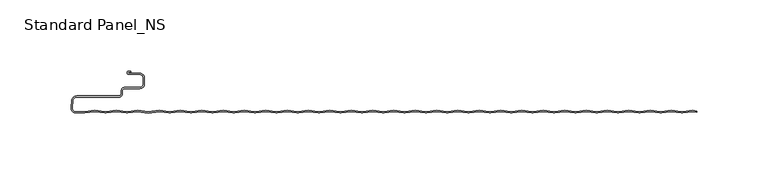
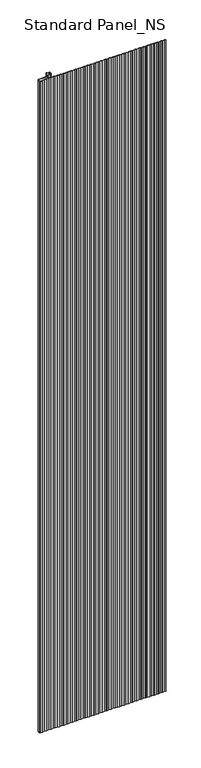
"""IFC4 building model written with IfcOpenShell, lengths in millimetres: proxy geometry, Standard Panel_NS."""

from ifc_helpers import new_model, si_unit, point, frame_2d, origin, origin_with_axes, place, context, project, spatial, polyline, circle_curve, trimmed, segment, composite_curve, outline, extrude, source, transform, mapped, element, save


def standard_panel_ns_2c4034bb(model_context):
    return source(origin(), model_context, "Body", "SweptSolid", [
        extrude(outline(composite_curve([segment(polyline([(200.9757266, -98.2311894), (203.9042607, -98.6216606), (203.9042607, -99.4287404), (200.9757266, -99.0382692), (194.0477998, -99.9619928)]), True, "CONTINUOUS"), segment(trimmed(circle_curve(frame_2d((193.4654854, -95.5946345)), 4.4060082), [point((194.0477998, -99.9619928))], [point((192.883171, -99.9619928))], False, "CARTESIAN"), True, "CONTINUOUS"), segment(polyline([(192.883171, -99.9619928), (185.9552442, -99.0382692), (179.0273174, -99.9619928)]), True, "CONTINUOUS"), segment(trimmed(circle_curve(frame_2d((178.445003, -95.5946345)), 4.4060082), [point((179.0273174, -99.9619928))], [point((177.8626885, -99.9619928))], False, "CARTESIAN"), True, "CONTINUOUS"), segment(polyline([(177.8626885, -99.9619928), (170.9347618, -99.0382692), (164.006835, -99.9619928)]), True, "CONTINUOUS"), segment(trimmed(circle_curve(frame_2d((163.4245205, -95.5946345)), 4.4060082), [point((164.006835, -99.9619928))], [point((162.8422061, -99.9619928))], False, "CARTESIAN"), True, "CONTINUOUS"), segment(polyline([(162.8422061, -99.9619928), (155.9142793, -99.0382692), (148.9863525, -99.9619928)]), True, "CONTINUOUS"), segment(trimmed(circle_curve(frame_2d((148.4040381, -95.5946345)), 4.4060082), [point((148.9863525, -99.9619928))], [point((147.8217236, -99.9619928))], False, "CARTESIAN"), True, "CONTINUOUS"), segment(polyline([(147.8217236, -99.9619928), (140.8937969, -99.0382692), (133.9658701, -99.9619928)]), True, "CONTINUOUS"), segment(trimmed(circle_curve(frame_2d((133.3835556, -95.5946345)), 4.4060082), [point((133.9658701, -99.9619928))], [point((132.8012412, -99.9619928))], False, "CARTESIAN"), True, "CONTINUOUS"), segment(polyline([(132.8012412, -99.9619928), (125.8733144, -99.0382692), (118.9453876, -99.9619928)]), True, "CONTINUOUS"), segment(trimmed(circle_curve(frame_2d((118.3630732, -95.5946345)), 4.4060082), [point((118.9453876, -99.9619928))], [point((117.7807588, -99.9619928))], False, "CARTESIAN"), True, "CONTINUOUS"), segment(polyline([(117.7807588, -99.9619928), (110.852832, -99.0382692), (103.9249052, -99.9619928)]), True, "CONTINUOUS"), segment(trimmed(circle_curve(frame_2d((103.3425907, -95.5946345)), 4.4060082), [point((103.9249052, -99.9619928))], [point((102.7602763, -99.9619928))], False, "CARTESIAN"), True, "CONTINUOUS"), segment(polyline([(102.7602763, -99.9619928), (95.8323495, -99.0382692), (88.9044227, -99.9619928)]), True, "CONTINUOUS"), segment(trimmed(circle_curve(frame_2d((88.3221083, -95.5946345)), 4.4060082), [point((88.9044227, -99.9619928))], [point((87.7397939, -99.9619928))], False, "CARTESIAN"), True, "CONTINUOUS"), segment(polyline([(87.7397939, -99.9619928), (80.8118671, -99.0382692), (73.8839403, -99.9619928)]), True, "CONTINUOUS"), segment(trimmed(circle_curve(frame_2d((73.3016259, -95.5946345)), 4.4060082), [point((73.8839403, -99.9619928))], [point((72.7193114, -99.9619928))], False, "CARTESIAN"), True, "CONTINUOUS"), segment(polyline([(72.7193114, -99.9619928), (65.7913846, -99.0382692), (58.8634578, -99.9619928)]), True, "CONTINUOUS"), segment(trimmed(circle_curve(frame_2d((58.2811434, -95.5946345)), 4.4060082), [point((58.8634578, -99.9619928))], [point((57.698829, -99.9619928))], False, "CARTESIAN"), True, "CONTINUOUS"), segment(polyline([(57.698829, -99.9619928), (50.7709022, -99.0382692), (43.8429754, -99.9619928)]), True, "CONTINUOUS"), segment(trimmed(circle_curve(frame_2d((43.260661, -95.5946345)), 4.4060082), [point((43.8429754, -99.9619928))], [point((42.6783465, -99.9619928))], False, "CARTESIAN"), True, "CONTINUOUS"), segment(polyline([(42.6783465, -99.9619928), (35.7504198, -99.0382692), (28.822493, -99.9619928)]), True, "CONTINUOUS"), segment(trimmed(circle_curve(frame_2d((28.2401785, -95.5946345)), 4.4060082), [point((28.822493, -99.9619928))], [point((27.6578641, -99.9619928))], False, "CARTESIAN"), True, "CONTINUOUS"), segment(polyline([(27.6578641, -99.9619928), (20.7299373, -99.0382692), (13.8020105, -99.9619928)]), True, "CONTINUOUS"), segment(trimmed(circle_curve(frame_2d((13.2196961, -95.5946345)), 4.4060082), [point((13.8020105, -99.9619928))], [point((12.6373816, -99.9619928))], False, "CARTESIAN"), True, "CONTINUOUS"), segment(polyline([(12.6373816, -99.9619928), (5.7094549, -99.0382692), (-1.2184719, -99.9619928)]), True, "CONTINUOUS"), segment(trimmed(circle_curve(frame_2d((-1.8007864, -95.5946345)), 4.4060082), [point((-1.2184719, -99.9619928))], [point((-2.3831008, -99.9619928))], False, "CARTESIAN"), True, "CONTINUOUS"), segment(polyline([(-2.3831008, -99.9619928), (-9.3110276, -99.0382692), (-16.2389544, -99.9619928)]), True, "CONTINUOUS"), segment(trimmed(circle_curve(frame_2d((-16.8212688, -95.5946345)), 4.4060082), [point((-16.2389544, -99.9619928))], [point((-17.4035832, -99.9619928))], False, "CARTESIAN"), True, "CONTINUOUS"), segment(polyline([(-17.4035832, -99.9619928), (-24.33151, -99.0382692), (-31.2594368, -99.9619928)]), True, "CONTINUOUS"), segment(trimmed(circle_curve(frame_2d((-31.8417513, -95.5946345)), 4.4060082), [point((-31.2594368, -99.9619928))], [point((-32.4240657, -99.9619928))], False, "CARTESIAN"), True, "CONTINUOUS"), segment(polyline([(-32.4240657, -99.9619928), (-39.3519925, -99.0382692), (-46.2799193, -99.9619928)]), True, "CONTINUOUS"), segment(trimmed(circle_curve(frame_2d((-46.8622337, -95.5946345)), 4.4060082), [point((-46.2799193, -99.9619928))], [point((-47.4445481, -99.9619928))], False, "CARTESIAN"), True, "CONTINUOUS"), segment(polyline([(-47.4445481, -99.9619928), (-54.3724749, -99.0382692), (-61.3004017, -99.9619928)]), True, "CONTINUOUS"), segment(trimmed(circle_curve(frame_2d((-61.8827161, -95.5946345)), 4.4060082), [point((-61.3004017, -99.9619928))], [point((-62.4650306, -99.9619928))], False, "CARTESIAN"), True, "CONTINUOUS"), segment(polyline([(-62.4650306, -99.9619928), (-69.3929573, -99.0382692), (-76.3208842, -99.9619928)]), True, "CONTINUOUS"), segment(trimmed(circle_curve(frame_2d((-76.9031986, -95.5946345)), 4.4060082), [point((-76.3208842, -99.9619928))], [point((-77.485513, -99.9619928))], False, "CARTESIAN"), True, "CONTINUOUS"), segment(polyline([(-77.485513, -99.9619928), (-84.4134398, -99.0382692), (-91.3413666, -99.9619928)]), True, "CONTINUOUS"), segment(trimmed(circle_curve(frame_2d((-91.923681, -95.5946345)), 4.4060082), [point((-91.3413666, -99.9619928))], [point((-92.5059955, -99.9619928))], False, "CARTESIAN"), True, "CONTINUOUS"), segment(polyline([(-92.5059955, -99.9619928), (-99.4339222, -99.0382692), (-106.361849, -99.9619928)]), True, "CONTINUOUS"), segment(trimmed(circle_curve(frame_2d((-106.9441635, -95.5946345)), 4.4060082), [point((-106.361849, -99.9619928))], [point((-107.5264779, -99.9619928))], False, "CARTESIAN"), True, "CONTINUOUS"), segment(polyline([(-107.5264779, -99.9619928), (-114.4544047, -99.0382692), (-121.3823315, -99.9619928)]), True, "CONTINUOUS"), segment(trimmed(circle_curve(frame_2d((-121.9646459, -95.5946345)), 4.4060082), [point((-121.3823315, -99.9619928))], [point((-122.5469604, -99.9619928))], False, "CARTESIAN"), True, "CONTINUOUS"), segment(polyline([(-122.5469604, -99.9619928), (-129.4748871, -99.0382692), (-136.4028139, -99.9619928)]), True, "CONTINUOUS"), segment(trimmed(circle_curve(frame_2d((-136.9851284, -95.5946345)), 4.4060082), [point((-136.4028139, -99.9619928))], [point((-137.5674428, -99.9619928))], False, "CARTESIAN"), True, "CONTINUOUS"), segment(polyline([(-137.5674428, -99.9619928), (-144.4953696, -99.0382692), (-151.4232964, -99.9619928)]), True, "CONTINUOUS"), segment(trimmed(circle_curve(frame_2d((-152.0056108, -95.5946345)), 4.4060082), [point((-151.4232964, -99.9619928))], [point((-152.5879252, -99.9619928))], False, "CARTESIAN"), True, "CONTINUOUS"), segment(polyline([(-152.5879252, -99.9619928), (-159.515852, -99.0382692), (-166.4437788, -99.9619928)]), True, "CONTINUOUS"), segment(trimmed(circle_curve(frame_2d((-167.0260933, -95.5946345)), 4.4060082), [point((-166.4437788, -99.9619928))], [point((-167.6084077, -99.9619928))], False, "CARTESIAN"), True, "CONTINUOUS"), segment(polyline([(-167.6084077, -99.9619928), (-174.5363345, -99.0382692), (-182.0465757, -100.0396347), (-189.5568169, -99.0382692), (-196.4847437, -99.9619928)]), True, "CONTINUOUS"), segment(trimmed(circle_curve(frame_2d((-197.0670581, -95.5946345)), 4.4060082), [point((-196.4847437, -99.9619928))], [point((-197.6493726, -99.9619928))], False, "CARTESIAN"), True, "CONTINUOUS"), segment(polyline([(-197.6493726, -99.9619928), (-204.5772994, -99.0382692), (-211.5052261, -99.9619928)]), True, "CONTINUOUS"), segment(trimmed(circle_curve(frame_2d((-212.0875406, -95.5946345)), 4.4060082), [point((-211.5052261, -99.9619928))], [point((-212.669855, -99.9619928))], False, "CARTESIAN"), True, "CONTINUOUS"), segment(polyline([(-212.669855, -99.9619928), (-219.5977818, -99.0382692), (-226.8154689, -100.0006275), (-232.8591806, -100.0006275)]), True, "CONTINUOUS"), segment(trimmed(circle_curve(frame_2d((-232.8591806, -96.4402183)), 3.5604092), [point((-232.8591806, -100.0006275))], [point((-236.4060388, -96.1298796))], False, "CARTESIAN"), True, "CONTINUOUS"), segment(polyline([(-236.4060388, -96.1298796), (-235.9907187, -91.3831898)]), True, "CONTINUOUS"), segment(trimmed(circle_curve(frame_2d((-232.3045986, -91.7057134)), 3.7002032), [point((-235.9907187, -91.3831898))], [point((-232.3045986, -88.0055103))], False, "CARTESIAN"), True, "CONTINUOUS"), segment(polyline([(-232.3045986, -88.0055103), (-202.67533, -88.0055103)]), True, "CONTINUOUS"), segment(trimmed(circle_curve(frame_2d((-202.67533, -86.4057064)), 1.5998039), [point((-202.67533, -88.0055103))], [point((-201.0755261, -86.4057064))], True, "CARTESIAN"), True, "CONTINUOUS"), segment(polyline([(-201.0755261, -86.4057064), (-201.0755261, -84.4057064)]), True, "CONTINUOUS"), segment(trimmed(circle_curve(frame_2d((-198.67533, -84.4057064)), 2.4001961), [point((-201.0755261, -84.4057064))], [point((-198.67533, -82.0055103))], False, "CARTESIAN"), True, "CONTINUOUS"), segment(polyline([(-198.67533, -82.0055103), (-188.0058392, -82.0055103)]), True, "CONTINUOUS"), segment(trimmed(circle_curve(frame_2d((-188.0058392, -79.6557064)), 2.3498039), [point((-188.0058392, -82.0055103))], [point((-185.6560353, -79.6557064))], True, "CARTESIAN"), True, "CONTINUOUS"), segment(polyline([(-185.6560353, -79.6557064), (-185.6560353, -75.2557048)]), True, "CONTINUOUS"), segment(trimmed(circle_curve(frame_2d((-188.0058392, -75.2557048)), 2.3498039), [point((-185.6560353, -75.2557048))], [point((-188.0058392, -72.9059009))], True, "CARTESIAN"), True, "CONTINUOUS"), segment(polyline([(-188.0058392, -72.9059009), (-195.7650669, -72.9059009)]), True, "CONTINUOUS"), segment(trimmed(circle_curve(frame_2d((-195.7650669, -71.7057056)), 1.2001953), [point((-195.7650669, -72.9059009))], [point((-195.7650669, -70.5055103))], False, "CARTESIAN"), True, "CONTINUOUS"), segment(polyline([(-195.7650669, -70.5055103), (-194.3950677, -70.5055103), (-194.3950677, -71.3055103), (-195.7650669, -71.3055103)]), True, "CONTINUOUS"), segment(trimmed(circle_curve(frame_2d((-195.7650669, -71.7057056)), 0.4001953), [point((-195.7650669, -71.3055103))], [point((-195.7650669, -72.1059009))], True, "CARTESIAN"), True, "CONTINUOUS"), segment(polyline([(-195.7650669, -72.1059009), (-188.0058392, -72.1059009)]), True, "CONTINUOUS"), segment(trimmed(circle_curve(frame_2d((-188.0058392, -75.2557048)), 3.1498039), [point((-188.0058392, -72.1059009))], [point((-184.8560353, -75.2557048))], False, "CARTESIAN"), True, "CONTINUOUS"), segment(polyline([(-184.8560353, -75.2557048), (-184.8560353, -79.6557064)]), True, "CONTINUOUS"), segment(trimmed(circle_curve(frame_2d((-188.0058392, -79.6557064)), 3.1498039), [point((-184.8560353, -79.6557064))], [point((-188.0058392, -82.8055103))], False, "CARTESIAN"), True, "CONTINUOUS"), segment(polyline([(-188.0058392, -82.8055103), (-198.67533, -82.8055103)]), True, "CONTINUOUS"), segment(trimmed(circle_curve(frame_2d((-198.67533, -84.4057064)), 1.6001961), [point((-198.67533, -82.8055103))], [point((-200.2755261, -84.4057064))], True, "CARTESIAN"), True, "CONTINUOUS"), segment(polyline([(-200.2755261, -84.4057064), (-200.2755261, -86.4057064)]), True, "CONTINUOUS"), segment(trimmed(circle_curve(frame_2d((-202.67533, -86.4057064)), 2.3998039), [point((-200.2755261, -86.4057064))], [point((-202.67533, -88.8055103))], False, "CARTESIAN"), True, "CONTINUOUS"), segment(polyline([(-202.67533, -88.8055103), (-232.3045986, -88.8055103)]), True, "CONTINUOUS"), segment(trimmed(circle_curve(frame_2d((-232.3045986, -91.7057134)), 2.9002032), [point((-232.3045986, -88.8055103))], [point((-235.1937635, -91.4529208))], True, "CARTESIAN"), True, "CONTINUOUS"), segment(polyline([(-235.1937635, -91.4529208), (-235.6090836, -96.1996106)]), True, "CONTINUOUS"), segment(trimmed(circle_curve(frame_2d((-232.8591806, -96.4402183)), 2.7604092), [point((-235.6090836, -96.1996106))], [point((-232.8591806, -99.2006275))], True, "CARTESIAN"), True, "CONTINUOUS"), segment(polyline([(-232.8591806, -99.2006275), (-226.8685673, -99.2006275), (-219.5977818, -98.2311894), (-212.564124, -99.1690104)]), True, "CONTINUOUS"), segment(trimmed(circle_curve(frame_2d((-212.0875406, -95.5946345)), 3.6060082), [point((-212.564124, -99.1690104))], [point((-211.6109571, -99.1690104))], True, "CARTESIAN"), True, "CONTINUOUS"), segment(polyline([(-211.6109571, -99.1690104), (-204.5772994, -98.2311894), (-197.5436416, -99.1690104)]), True, "CONTINUOUS"), segment(trimmed(circle_curve(frame_2d((-197.0670581, -95.5946345)), 3.6060082), [point((-197.5436416, -99.1690104))], [point((-196.5904747, -99.1690104))], True, "CARTESIAN"), True, "CONTINUOUS"), segment(polyline([(-196.5904747, -99.1690104), (-189.5568169, -98.2311894), (-182.0465757, -99.2325549), (-174.5363345, -98.2311894), (-167.5026767, -99.1690104)]), True, "CONTINUOUS"), segment(trimmed(circle_curve(frame_2d((-167.0260933, -95.5946345)), 3.6060082), [point((-167.5026767, -99.1690104))], [point((-166.5495098, -99.1690104))], True, "CARTESIAN"), True, "CONTINUOUS"), segment(polyline([(-166.5495098, -99.1690104), (-159.515852, -98.2311894), (-152.4821943, -99.1690104)]), True, "CONTINUOUS"), segment(trimmed(circle_curve(frame_2d((-152.0056108, -95.5946345)), 3.6060082), [point((-152.4821943, -99.1690104))], [point((-151.5290274, -99.1690104))], True, "CARTESIAN"), True, "CONTINUOUS"), segment(polyline([(-151.5290274, -99.1690104), (-144.4953696, -98.2311894), (-137.4617118, -99.1690104)]), True, "CONTINUOUS"), segment(trimmed(circle_curve(frame_2d((-136.9851284, -95.5946345)), 3.6060082), [point((-137.4617118, -99.1690104))], [point((-136.5085449, -99.1690104))], True, "CARTESIAN"), True, "CONTINUOUS"), segment(polyline([(-136.5085449, -99.1690104), (-129.4748871, -98.2311894), (-122.4412294, -99.1690104)]), True, "CONTINUOUS"), segment(trimmed(circle_curve(frame_2d((-121.9646459, -95.5946345)), 3.6060082), [point((-122.4412294, -99.1690104))], [point((-121.4880625, -99.1690104))], True, "CARTESIAN"), True, "CONTINUOUS"), segment(polyline([(-121.4880625, -99.1690104), (-114.4544047, -98.2311894), (-107.4207469, -99.1690104)]), True, "CONTINUOUS"), segment(trimmed(circle_curve(frame_2d((-106.9441635, -95.5946345)), 3.6060082), [point((-107.4207469, -99.1690104))], [point((-106.46758, -99.1690104))], True, "CARTESIAN"), True, "CONTINUOUS"), segment(polyline([(-106.46758, -99.1690104), (-99.4339222, -98.2311894), (-92.4002645, -99.1690104)]), True, "CONTINUOUS"), segment(trimmed(circle_curve(frame_2d((-91.923681, -95.5946345)), 3.6060082), [point((-92.4002645, -99.1690104))], [point((-91.4470976, -99.1690104))], True, "CARTESIAN"), True, "CONTINUOUS"), segment(polyline([(-91.4470976, -99.1690104), (-84.4134398, -98.2311894), (-77.379782, -99.1690104)]), True, "CONTINUOUS"), segment(trimmed(circle_curve(frame_2d((-76.9031986, -95.5946345)), 3.6060082), [point((-77.379782, -99.1690104))], [point((-76.4266151, -99.1690104))], True, "CARTESIAN"), True, "CONTINUOUS"), segment(polyline([(-76.4266151, -99.1690104), (-69.3929573, -98.2311894), (-62.3592996, -99.1690104)]), True, "CONTINUOUS"), segment(trimmed(circle_curve(frame_2d((-61.8827161, -95.5946345)), 3.6060082), [point((-62.3592996, -99.1690104))], [point((-61.4061327, -99.1690104))], True, "CARTESIAN"), True, "CONTINUOUS"), segment(polyline([(-61.4061327, -99.1690104), (-54.3724749, -98.2311894), (-47.3388172, -99.1690104)]), True, "CONTINUOUS"), segment(trimmed(circle_curve(frame_2d((-46.8622337, -95.5946345)), 3.6060082), [point((-47.3388172, -99.1690104))], [point((-46.3856502, -99.1690104))], True, "CARTESIAN"), True, "CONTINUOUS"), segment(polyline([(-46.3856502, -99.1690104), (-39.3519925, -98.2311894), (-32.3183347, -99.1690104)]), True, "CONTINUOUS"), segment(trimmed(circle_curve(frame_2d((-31.8417513, -95.5946345)), 3.6060082), [point((-32.3183347, -99.1690104))], [point((-31.3651678, -99.1690104))], True, "CARTESIAN"), True, "CONTINUOUS"), segment(polyline([(-31.3651678, -99.1690104), (-24.33151, -98.2311894), (-17.2978523, -99.1690104)]), True, "CONTINUOUS"), segment(trimmed(circle_curve(frame_2d((-16.8212688, -95.5946345)), 3.6060082), [point((-17.2978523, -99.1690104))], [point((-16.3446854, -99.1690104))], True, "CARTESIAN"), True, "CONTINUOUS"), segment(polyline([(-16.3446854, -99.1690104), (-9.3110276, -98.2311894), (-2.2773698, -99.1690104)]), True, "CONTINUOUS"), segment(trimmed(circle_curve(frame_2d((-1.8007864, -95.5946345)), 3.6060082), [point((-2.2773698, -99.1690104))], [point((-1.3242029, -99.1690104))], True, "CARTESIAN"), True, "CONTINUOUS"), segment(polyline([(-1.3242029, -99.1690104), (5.7094549, -98.2311894), (12.7431126, -99.1690104)]), True, "CONTINUOUS"), segment(trimmed(circle_curve(frame_2d((13.2196961, -95.5946345)), 3.6060082), [point((12.7431126, -99.1690104))], [point((13.6962795, -99.1690104))], True, "CARTESIAN"), True, "CONTINUOUS"), segment(polyline([(13.6962795, -99.1690104), (20.7299373, -98.2311894), (27.7635951, -99.1690104)]), True, "CONTINUOUS"), segment(trimmed(circle_curve(frame_2d((28.2401785, -95.5946345)), 3.6060082), [point((27.7635951, -99.1690104))], [point((28.716762, -99.1690104))], True, "CARTESIAN"), True, "CONTINUOUS"), segment(polyline([(28.716762, -99.1690104), (35.7504198, -98.2311894), (42.7840775, -99.1690104)]), True, "CONTINUOUS"), segment(trimmed(circle_curve(frame_2d((43.260661, -95.5946345)), 3.6060082), [point((42.7840775, -99.1690104))], [point((43.7372444, -99.1690104))], True, "CARTESIAN"), True, "CONTINUOUS"), segment(polyline([(43.7372444, -99.1690104), (50.7709022, -98.2311894), (57.80456, -99.1690104)]), True, "CONTINUOUS"), segment(trimmed(circle_curve(frame_2d((58.2811434, -95.5946345)), 3.6060082), [point((57.80456, -99.1690104))], [point((58.7577269, -99.1690104))], True, "CARTESIAN"), True, "CONTINUOUS"), segment(polyline([(58.7577269, -99.1690104), (65.7913846, -98.2311894), (72.8250424, -99.1690104)]), True, "CONTINUOUS"), segment(trimmed(circle_curve(frame_2d((73.3016259, -95.5946345)), 3.6060082), [point((72.8250424, -99.1690104))], [point((73.7782093, -99.1690104))], True, "CARTESIAN"), True, "CONTINUOUS"), segment(polyline([(73.7782093, -99.1690104), (80.8118671, -98.2311894), (87.8455248, -99.1690104)]), True, "CONTINUOUS"), segment(trimmed(circle_curve(frame_2d((88.3221083, -95.5946345)), 3.6060082), [point((87.8455248, -99.1690104))], [point((88.7986918, -99.1690104))], True, "CARTESIAN"), True, "CONTINUOUS"), segment(polyline([(88.7986918, -99.1690104), (95.8323495, -98.2311894), (102.8660073, -99.1690104)]), True, "CONTINUOUS"), segment(trimmed(circle_curve(frame_2d((103.3425907, -95.5946345)), 3.6060082), [point((102.8660073, -99.1690104))], [point((103.8191742, -99.1690104))], True, "CARTESIAN"), True, "CONTINUOUS"), segment(polyline([(103.8191742, -99.1690104), (110.852832, -98.2311894), (117.8864897, -99.1690104)]), True, "CONTINUOUS"), segment(trimmed(circle_curve(frame_2d((118.3630732, -95.5946345)), 3.6060082), [point((117.8864897, -99.1690104))], [point((118.8396566, -99.1690104))], True, "CARTESIAN"), True, "CONTINUOUS"), segment(polyline([(118.8396566, -99.1690104), (125.8733144, -98.2311894), (132.9069722, -99.1690104)]), True, "CONTINUOUS"), segment(trimmed(circle_curve(frame_2d((133.3835556, -95.5946345)), 3.6060082), [point((132.9069722, -99.1690104))], [point((133.8601391, -99.1690104))], True, "CARTESIAN"), True, "CONTINUOUS"), segment(polyline([(133.8601391, -99.1690104), (140.8937969, -98.2311894), (147.9274546, -99.1690104)]), True, "CONTINUOUS"), segment(trimmed(circle_curve(frame_2d((148.4040381, -95.5946345)), 3.6060082), [point((147.9274546, -99.1690104))], [point((148.8806215, -99.1690104))], True, "CARTESIAN"), True, "CONTINUOUS"), segment(polyline([(148.8806215, -99.1690104), (155.9142793, -98.2311894), (162.9479371, -99.1690104)]), True, "CONTINUOUS"), segment(trimmed(circle_curve(frame_2d((163.4245205, -95.5946345)), 3.6060082), [point((162.9479371, -99.1690104))], [point((163.901104, -99.1690104))], True, "CARTESIAN"), True, "CONTINUOUS"), segment(polyline([(163.901104, -99.1690104), (170.9347618, -98.2311894), (177.9684195, -99.1690104)]), True, "CONTINUOUS"), segment(trimmed(circle_curve(frame_2d((178.445003, -95.5946345)), 3.6060082), [point((177.9684195, -99.1690104))], [point((178.9215864, -99.1690104))], True, "CARTESIAN"), True, "CONTINUOUS"), segment(polyline([(178.9215864, -99.1690104), (185.9552442, -98.2311894), (192.9889019, -99.1690104)]), True, "CONTINUOUS"), segment(trimmed(circle_curve(frame_2d((193.4654854, -95.5946345)), 3.6060082), [point((192.9889019, -99.1690104))], [point((193.9420689, -99.1690104))], True, "CARTESIAN"), True, "CONTINUOUS"), segment(polyline([(193.9420689, -99.1690104), (200.9757266, -98.2311894)]), True, "CONTINUOUS")], self_intersect=False)), origin_with_axes(), (0.0, 0.0, 1.0), 2400.0),
    ])


if __name__ == "__main__":
    model = new_model("IFC4")
    model_context = context("Model", 3, world=origin())
    ifc_project = project(units=[si_unit("LENGTHUNIT", "METRE", prefix="MILLI")], contexts=[model_context])
    site = spatial("IfcSite", under=ifc_project)
    building = spatial("IfcBuilding", under=site)
    placement = place(None, origin())
    standard_panel_ns_shape = standard_panel_ns_2c4034bb(model_context)
    element("IfcBuildingElementProxy", 1, Name="Standard Panel_NS", ObjectType="Standard Panel_NS", at=placement, inside=building, context=model_context, shape_type="MappedRepresentation", body=[
        mapped(standard_panel_ns_shape, transform((0.0, 0.0, 0.0), x_axis=(1.0, 0.0, 0.0), y_axis=(0.0, 1.0, 0.0), z_axis=(0.0, 0.0, 1.0))),
    ])
    save(model, "model.ifc")
